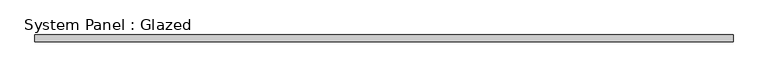
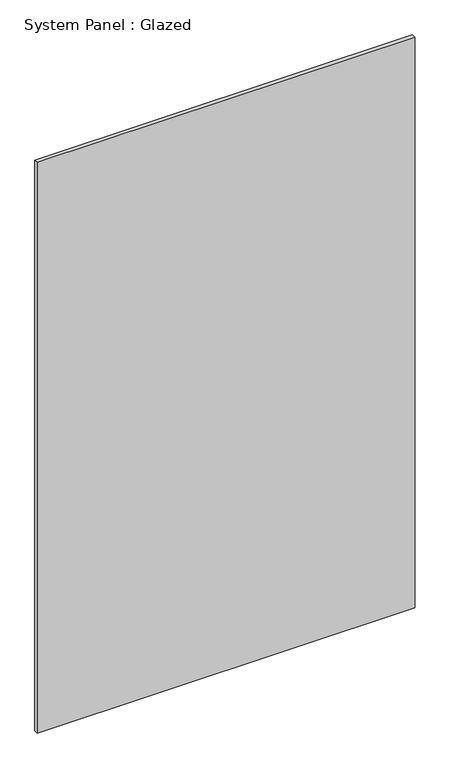
"""IFC4 building model written with IfcOpenShell, lengths in millimetres: plate geometry, System Panel : Glazed."""

import ifcopenshell
import ifcopenshell.guid

model = None  # the IFC model being written
_history = None  # IfcOwnerHistory: only IFC2X3 demands one
_inside = {}  # id of a spatial element -> (the spatial element, [elements in it])
_under = {}  # id of a project, library or spatial element -> (it, [spatial elements below it])
_declared = {}  # id of a project -> (the project, [libraries it declares])
_typed = {}  # id of a type object -> (the type object, [elements of that type])
_made_of = {}  # id of a material, layer set ... -> (it, [elements and type objects made of it])


def new_model(schema):
    """Start an empty IFC model of exactly this schema.

    Asked for "IFC4X3", IfcOpenShell would pick the latest addendum, in which some entities
    have other attributes; the version numbers below select the first issue.
    IFC2X3 requires an IfcOwnerHistory on every rooted entity: one is made here for all.
    """
    global model, _history
    if schema == "IFC4X3":
        model = ifcopenshell.file(schema_version=(4, 3, 0, 0))
    else:
        model = ifcopenshell.file(schema=schema)
    _inside.clear()
    _under.clear()
    _declared.clear()
    _typed.clear()
    _made_of.clear()
    _history = None
    if model.schema == "IFC2X3":
        org = make("IfcOrganization", Name="unknown")
        user = make(
            "IfcPersonAndOrganization",
            ThePerson=make("IfcPerson", FamilyName="unknown"),
            TheOrganization=org,
        )
        app = make(
            "IfcApplication",
            ApplicationDeveloper=org,
            Version="unknown",
            ApplicationFullName="unknown",
            ApplicationIdentifier="unknown",
        )
        _history = make(
            "IfcOwnerHistory",
            OwningUser=user,
            OwningApplication=app,
            ChangeAction="ADDED",
            CreationDate=0,
        )
    return model


def make(cls, **values):
    """One entity of the class cls with the attributes given. An attribute that is None is left unset."""
    return model.create_entity(
        cls, **{name: value for name, value in values.items() if value is not None}
    )


def rooted(cls, **values):
    """An entity with a GlobalId (a new one), such as an element, a storey or a relation."""
    return make(cls, GlobalId=ifcopenshell.guid.new(), OwnerHistory=_history, **values)


def si_unit(unit_type, name, prefix=None):
    """IfcSIUnit, for example si_unit("LENGTHUNIT", "METRE", prefix="MILLI")."""
    return make("IfcSIUnit", UnitType=unit_type, Prefix=prefix, Name=name)


def assignment(units):
    """IfcUnitAssignment: the units of a project."""
    return None if units is None else make("IfcUnitAssignment", Units=units)


def point(xyz):
    """IfcCartesianPoint."""
    return None if xyz is None else make("IfcCartesianPoint", Coordinates=xyz)


def direction(xyz):
    """IfcDirection."""
    return None if xyz is None else make("IfcDirection", DirectionRatios=xyz)


def frame(location, z_axis=None, x_axis=None):
    """IfcAxis2Placement3D, a coordinate frame: its origin and axes. An axis left out is left unset."""
    return make(
        "IfcAxis2Placement3D",
        Location=point(location),
        Axis=direction(z_axis),
        RefDirection=direction(x_axis),
    )


def origin():
    """The frame at (0, 0, 0) with its axes left unset."""
    return frame((0.0, 0.0, 0.0))


def origin_with_axes():
    """The frame at (0, 0, 0) with the z axis (0, 0, 1) and the x axis (1, 0, 0) written out."""
    return frame((0.0, 0.0, 0.0), z_axis=(0.0, 0.0, 1.0), x_axis=(1.0, 0.0, 0.0))


def place(relative_to, where):
    """IfcLocalPlacement: puts the frame where relative to a parent placement (None: the world)."""
    return make(
        "IfcLocalPlacement", PlacementRelTo=relative_to, RelativePlacement=where
    )


def context(
    kind, dimensions, precision=None, world=None, true_north=None, identifier=None
):
    """IfcGeometricRepresentationContext, for example the 3D "Model" context."""
    return make(
        "IfcGeometricRepresentationContext",
        ContextIdentifier=identifier,
        ContextType=kind,
        CoordinateSpaceDimension=dimensions,
        Precision=precision,
        WorldCoordinateSystem=world,
        TrueNorth=true_north,
    )


def project(units=None, contexts=None):
    """IfcProject with its units and contexts."""
    return rooted(
        "IfcProject",
        Name="project",
        RepresentationContexts=contexts,
        UnitsInContext=assignment(units),
    )


def spatial(cls, under=None, at=None, **own):
    """A site, building, storey or space (cls), placed at a placement, below another one or the project."""
    s = rooted(cls, ObjectPlacement=at, **own)
    if under is not None:
        _under.setdefault(under.id(), (under, []))[1].append(s)
    return s


def polyline(points):
    """IfcPolyline through the points."""
    return make("IfcPolyline", Points=[point(p) for p in points])


def outline(outer, holes=None, kind="AREA"):
    """IfcArbitraryClosedProfileDef: a profile drawn as a closed curve; with holes, ...WithVoids."""
    if holes is None:
        return make("IfcArbitraryClosedProfileDef", ProfileType=kind, OuterCurve=outer)
    return make(
        "IfcArbitraryProfileDefWithVoids",
        ProfileType=kind,
        OuterCurve=outer,
        InnerCurves=holes,
    )


def extrude(swept, where, along, depth):
    """IfcExtrudedAreaSolid: the profile swept, set in the frame where, extruded along a direction by depth."""
    return make(
        "IfcExtrudedAreaSolid",
        SweptArea=swept,
        Position=where,
        ExtrudedDirection=direction(along),
        Depth=depth,
    )


def shape(context_of_items, identifier, shape_type, items):
    """IfcShapeRepresentation: the items that make up one representation, for example the "Body"."""
    return make(
        "IfcShapeRepresentation",
        ContextOfItems=context_of_items,
        RepresentationIdentifier=identifier,
        RepresentationType=shape_type,
        Items=items,
    )


def source(mapping_origin, context_of_items, identifier, shape_type, items):
    """IfcRepresentationMap: a shape defined once, which mapped items show again and again."""
    return make(
        "IfcRepresentationMap",
        MappingOrigin=mapping_origin,
        MappedRepresentation=shape(context_of_items, identifier, shape_type, items),
    )


def transform(
    local_origin,
    x_axis=None,
    y_axis=None,
    z_axis=None,
    scale=None,
    scale2=None,
    scale3=None,
    uniform=True,
):
    """IfcCartesianTransformationOperator3D, or its non-uniform kind. x_axis, y_axis, z_axis: its Axis1, 2, 3."""
    if uniform:
        return make(
            "IfcCartesianTransformationOperator3D",
            Axis1=direction(x_axis),
            Axis2=direction(y_axis),
            LocalOrigin=point(local_origin),
            Scale=scale,
            Axis3=direction(z_axis),
        )
    return make(
        "IfcCartesianTransformationOperator3DnonUniform",
        Axis1=direction(x_axis),
        Axis2=direction(y_axis),
        LocalOrigin=point(local_origin),
        Scale=scale,
        Axis3=direction(z_axis),
        Scale2=scale2,
        Scale3=scale3,
    )


def mapped(mapping_source, mapping_target):
    """IfcMappedItem: shows the shape of a source again, moved by a transform."""
    return make(
        "IfcMappedItem", MappingSource=mapping_source, MappingTarget=mapping_target
    )


def made_of(thing, what):
    """Note that an element or type object is made of a material, layer set ...; save() writes the relation."""
    if what is not None:
        _made_of.setdefault(what.id(), (what, []))[1].append(thing)
    return thing


def element(
    cls,
    number,
    at=None,
    inside=None,
    cuts=None,
    type_object=None,
    material=None,
    context=None,
    identifier="Body",
    shape_type=None,
    held_by="IfcProductDefinitionShape",
    body=None,
    shapes=None,
    **own,
):
    """One element of the class cls, such as IfcWall. Its Tag is "e" and its number.

    at: its placement. inside: the storey or other place that contains it. cuts: it is an
    opening in that element (IfcRelVoidsElement). A single representation is given by context,
    identifier, shape_type and body (its items); several are given by shapes. held_by: the class
    of the entity that holds the representations. save() writes the other relations.
    """
    e = rooted(cls, Tag="e%d" % number, ObjectPlacement=at, **own)
    if body is not None:
        shapes = [shape(context, identifier, shape_type, body)]
    if shapes is not None:
        e.Representation = make(held_by, Representations=shapes)
    if inside is not None:
        _inside.setdefault(inside.id(), (inside, []))[1].append(e)
    if cuts is not None:
        rooted(
            "IfcRelVoidsElement", RelatingBuildingElement=cuts, RelatedOpeningElement=e
        )
    if type_object is not None:
        _typed.setdefault(type_object.id(), (type_object, []))[1].append(e)
    return made_of(e, material)


def aggregate(whole, parts):
    """IfcRelAggregates: a whole, such as a stair, and the parts it consists of."""
    return rooted("IfcRelAggregates", RelatingObject=whole, RelatedObjects=parts)


def save(model, path):
    """Write the relations noted so far, then the file.

    IfcRelAggregates (storeys below a building ...), IfcRelContainedInSpatialStructure (elements
    in a storey), IfcRelDefinesByType, IfcRelAssociatesMaterial and IfcRelDeclares: one each for
    every whole, place, type object, material and project.
    """
    for whole, parts in _under.values():
        aggregate(whole, parts)
    for where, things in _inside.values():
        rooted(
            "IfcRelContainedInSpatialStructure",
            RelatedElements=things,
            RelatingStructure=where,
        )
    for kind, things in _typed.values():
        rooted("IfcRelDefinesByType", RelatedObjects=things, RelatingType=kind)
    for what, things in _made_of.values():
        rooted("IfcRelAssociatesMaterial", RelatedObjects=things, RelatingMaterial=what)
    for by, libraries in _declared.values():
        rooted("IfcRelDeclares", RelatingContext=by, RelatedDefinitions=libraries)
    model.write(path)


def system_panel_glazed_c2045af5(model_context):
    return source(origin(), model_context, "Body", "SweptSolid", [
        extrude(outline(polyline([(1257.5000002, -49.5), (-1257.5000002, -49.5), (-1257.5000002, -24.5), (1257.5000002, -24.5), (1257.5000002, -49.5)])), origin_with_axes(), (0.0, 0.0, 1.0), 4015.0),
    ])


if __name__ == "__main__":
    model = new_model("IFC4")
    model_context = context("Model", 3, world=origin())
    ifc_project = project(units=[si_unit("LENGTHUNIT", "METRE", prefix="MILLI")], contexts=[model_context])
    site = spatial("IfcSite", under=ifc_project)
    building = spatial("IfcBuilding", under=site)
    placement = place(None, origin())
    system_panel_glazed_shape = system_panel_glazed_c2045af5(model_context)
    element("IfcPlate", 1, ObjectType="System Panel : Glazed", at=placement, inside=building, context=model_context, shape_type="MappedRepresentation", body=[
        mapped(system_panel_glazed_shape, transform((0.0, 0.0, 0.0), x_axis=(1.0, 0.0, 0.0), y_axis=(0.0, 1.0, 0.0), z_axis=(0.0, 0.0, 1.0))),
    ])
    save(model, "model.ifc")
